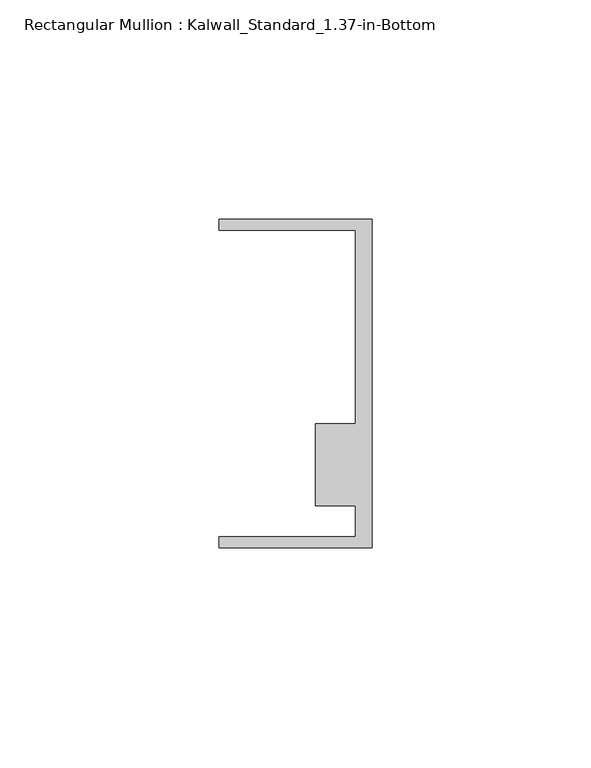
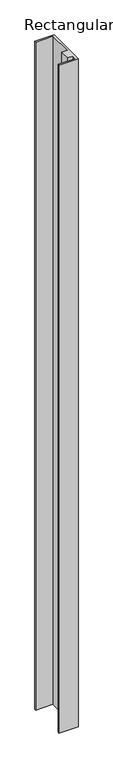
"""IFC4 building model written with IfcOpenShell, lengths in millimetres: member geometry, Rectangular Mullion : Kalwall_Standard_1.37-in-Bottom."""

from ifc_helpers import new_model, si_unit, frame, origin, place, context, project, spatial, polyline, outline, extrude, source, transform, mapped, element, save


def rectangular_mullion_kalwall_standard_1_37_in_bottom_c3981703(model_context):
    return source(origin(), model_context, "Body", "SweptSolid", [
        extrude(outline(polyline([(0.0, -37.5776386), (-34.925, -37.5776386), (-34.925, -35.0376386), (-3.7084, -35.0376386), (-3.7084, -27.8888568), (-12.8272539, -27.8888568), (-12.8272539, -9.1879886), (-3.7084, -9.1879886), (-3.7084, 34.9623614), (-34.925, 34.9623614), (-34.925, 37.5023614), (0.0, 37.5023614), (0.0, -37.5776386)])), frame((0.0, 0.0, -1280.2068), z_axis=(0.0, 0.0, 1.0), x_axis=(1.0, 0.0, 0.0)), (0.0, 0.0, 1.0), 1280.2068),
    ])


if __name__ == "__main__":
    model = new_model("IFC4")
    model_context = context("Model", 3, world=origin())
    ifc_project = project(units=[si_unit("LENGTHUNIT", "METRE", prefix="MILLI")], contexts=[model_context])
    site = spatial("IfcSite", under=ifc_project)
    building = spatial("IfcBuilding", under=site)
    placement = place(None, origin())
    rectangular_mullion_kalwall_standard_1_37_in_bottom_shape = rectangular_mullion_kalwall_standard_1_37_in_bottom_c3981703(model_context)
    element("IfcMember", 1, ObjectType="Rectangular Mullion : Kalwall_Standard_1.37-in-Bottom", at=placement, inside=building, context=model_context, shape_type="MappedRepresentation", body=[
        mapped(rectangular_mullion_kalwall_standard_1_37_in_bottom_shape, transform((0.0, 0.0, 0.0), x_axis=(1.0, 0.0, 0.0), y_axis=(0.0, 1.0, 0.0), z_axis=(0.0, 0.0, 1.0))),
    ])
    save(model, "model.ifc")
